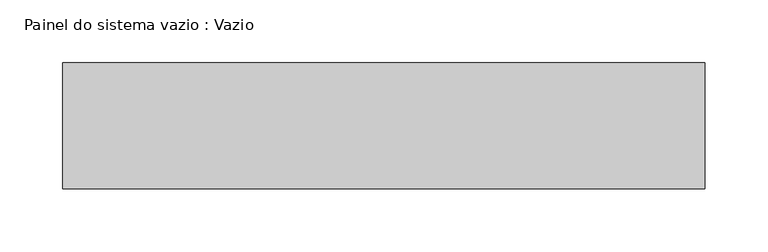
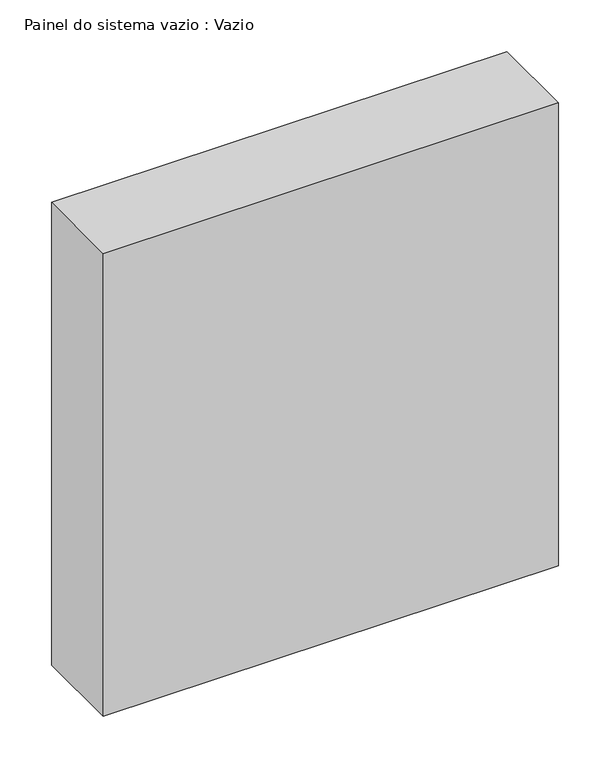
"""IFC4 building model written with IfcOpenShell, lengths in millimetres: plate geometry, Painel do sistema vazio : Vazio."""

from ifc_helpers import new_model, si_unit, origin, origin_with_axes, place, context, project, spatial, polyline, outline, extrude, source, transform, mapped, element, save


def painel_do_sistema_vazio_vazio_2f5d978e(model_context):
    return source(origin(), model_context, "Body", "SweptSolid", [
        extrude(outline(polyline([(255.0, -50.0), (-255.0, -50.0), (-255.0, 50.0), (255.0, 50.0), (255.0, -50.0)])), origin_with_axes(), (0.0, 0.0, 1.0), 547.5),
    ])


if __name__ == "__main__":
    model = new_model("IFC4")
    model_context = context("Model", 3, world=origin())
    ifc_project = project(units=[si_unit("LENGTHUNIT", "METRE", prefix="MILLI")], contexts=[model_context])
    site = spatial("IfcSite", under=ifc_project)
    building = spatial("IfcBuilding", under=site)
    placement = place(None, origin())
    painel_do_sistema_vazio_vazio_shape = painel_do_sistema_vazio_vazio_2f5d978e(model_context)
    element("IfcPlate", 1, ObjectType="Painel do sistema vazio : Vazio", at=placement, inside=building, context=model_context, shape_type="MappedRepresentation", body=[
        mapped(painel_do_sistema_vazio_vazio_shape, transform((0.0, 0.0, 0.0), x_axis=(1.0, 0.0, 0.0), y_axis=(0.0, 1.0, 0.0), z_axis=(0.0, 0.0, 1.0))),
    ])
    save(model, "model.ifc")
